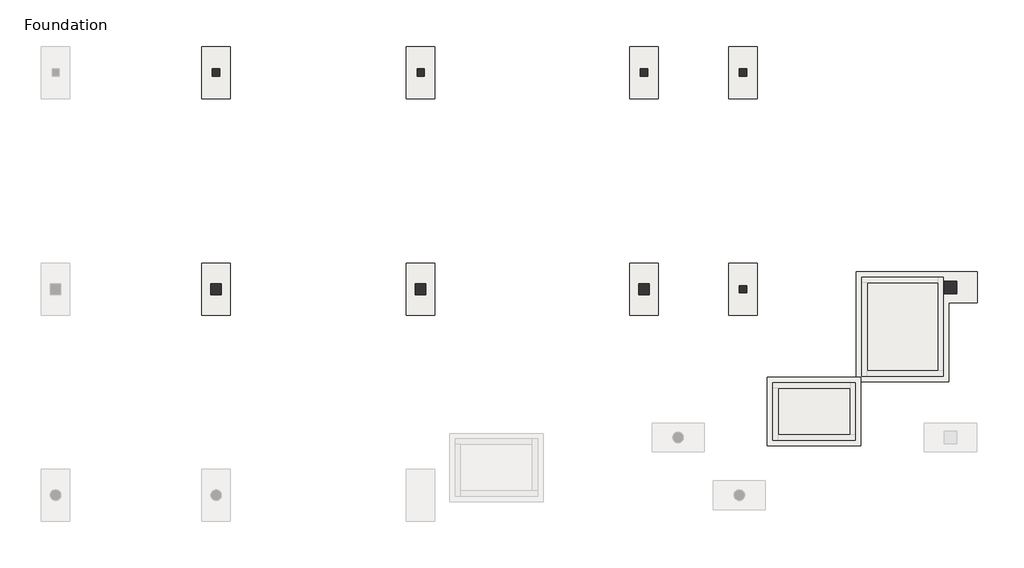
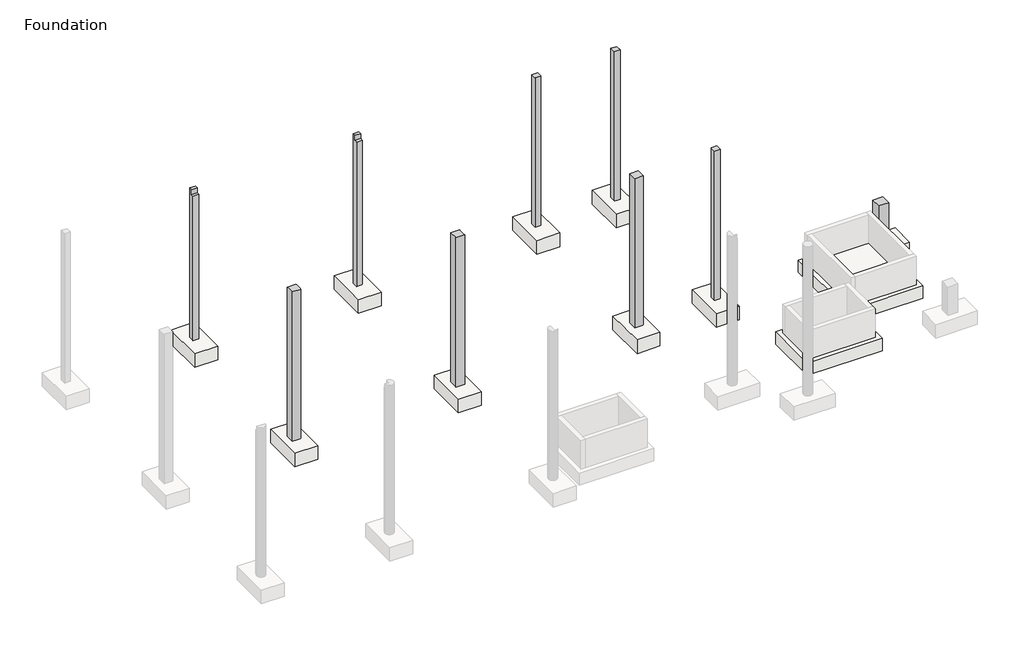
# One storey, part 10 of 10: 10 slabs, 9 columns.
"""IFC4 building model written with IfcOpenShell, lengths in millimetres."""

from ifc_helpers import new_model, si_unit, frame, origin, place, context, project, spatial, polyline, circle_curve, outline, extrude, faceted_brep, element, save
from ifc_brep_helpers import plane_surface, revolved_surface, advanced_brep

model = new_model("IFC4")

# Units and contexts
model_context = context("Model", 3, world=origin())
ifc_project = project(units=[si_unit("LENGTHUNIT", "METRE", prefix="MILLI")], contexts=[model_context])

# Site, building, storey
site = spatial("IfcSite", under=ifc_project)
building = spatial("IfcBuilding", under=site)
storey = spatial("IfcBuildingStorey", under=building, Name="Foundation", Elevation=-1600.0)

# Columns
placement = place(None, origin())
element("IfcColumn", 1, ObjectType="Concrete-Rectangular-Column : C 20/20", at=placement, inside=storey, context=model_context, shape_type="Brep", body=[
    faceted_brep([(17404.9250814, -5989.7248986, -1600.0), (17604.9250814, -5989.7248986, -1600.0), (17604.9250814, -6189.7248986, -1600.0), (17404.9250814, -6189.7248986, -1600.0), (17404.9250814, -6189.7248986, 3900.0), (17404.9250814, -6189.7248986, -100.0), (17404.9250814, -6189.7248986, -550.0), (17604.9250814, -6189.7248986, 3900.0), (17404.9250814, -5989.7248986, 3900.0), (17404.9250814, -6164.7248986, 3900.0), (17604.9250814, -5989.7248986, 3900.0)], [[[0, 1, 2, 3]], [[4, 5, 6, 3, 2, 7]], [[8, 0, 3, 6, 5, 4, 9]], [[7, 2, 1, 10]], [[10, 1, 0, 8]], [[8, 9, 4, 7, 10]]]),
])
element("IfcColumn", 2, ObjectType="Concrete-Rectangular-Column : C 20/20", at=placement, inside=storey, context=model_context, shape_type="Brep", body=[
    faceted_brep([(14652.4250814, -5989.7248986, -1600.0), (14852.4250814, -5989.7248986, -1600.0), (14852.4250814, -6189.7248986, -1600.0), (14652.4250814, -6189.7248986, -1600.0), (14652.4250814, -6189.7248986, 3900.0), (14652.4250814, -6189.7248986, -100.0), (14652.4250814, -6189.7248986, -550.0), (14852.4250814, -6189.7248986, -550.0), (14852.4250814, -6189.7248986, -100.0), (14852.4250814, -6189.7248986, 3900.0), (14652.4250814, -5989.7248986, 3900.0), (14652.4250814, -6164.7248986, 3900.0), (14852.4250814, -5989.7248986, 3900.0), (14852.4250814, -6164.7248986, 3900.0)], [[[0, 1, 2, 3]], [[4, 5, 6, 3, 2, 7, 8, 9]], [[10, 0, 3, 6, 5, 4, 11]], [[9, 8, 7, 2, 1, 12, 13]], [[12, 1, 0, 10]], [[10, 11, 4, 9, 13, 12]]]),
])
element("IfcColumn", 3, ObjectType="Concrete-Rectangular-Column : C 20/20", at=placement, inside=storey, context=model_context, shape_type="Brep", body=[
    faceted_brep([(8432.4250814, -6189.7248986, -1600.0), (8432.4250814, -5989.7248986, -1600.0), (8632.4250814, -5989.7248986, -1600.0), (8632.4250814, -6189.7248986, -1600.0), (8632.4250814, -6189.7248986, -550.0), (8632.4250814, -6189.7248986, -100.0), (8632.4250814, -6189.7248986, 3720.0), (8432.4250814, -6189.7248986, 3720.0), (8432.4250814, -6189.7248986, -100.0), (8432.4250814, -6189.7248986, -550.0), (8432.4250814, -6089.7248986, 3720.0), (8432.4250814, -6089.7248986, 3900.0), (8432.4250814, -5989.7248986, 3900.0), (8632.4250814, -5989.7248986, 3900.0), (8632.4250814, -6089.7248986, 3900.0), (8632.4250814, -6089.7248986, 3720.0)], [[[0, 1, 2, 3]], [[0, 3, 4, 5, 6, 7, 8, 9]], [[1, 0, 9, 8, 7, 10, 11, 12]], [[3, 2, 13, 14, 15, 6, 5, 4]], [[2, 1, 12, 13]], [[13, 12, 11, 14]], [[10, 7, 6, 15]], [[10, 15, 14, 11]]]),
])
element("IfcColumn", 4, ObjectType="Concrete-Rectangular-Column : C 20/20", at=placement, inside=storey, context=model_context, shape_type="Brep", body=[
    faceted_brep([(17404.9250814, -12019.7248986, -1600.0), (17604.9250814, -12019.7248986, -1600.0), (17604.9250814, -12219.7248986, -1600.0), (17404.9250814, -12219.7248986, -1600.0), (17404.9250814, -12219.7248986, 3900.0), (17404.9250814, -12219.7248986, 3720.0), (17404.9250814, -12219.7248986, -100.0), (17404.9250814, -12219.7248986, -550.0), (17604.9250814, -12219.7248986, -550.0), (17604.9250814, -12219.7248986, -100.0), (17604.9250814, -12219.7248986, 3720.0), (17604.9250814, -12219.7248986, 3900.0), (17404.9250814, -12019.7248986, 3900.0), (17404.9250814, -12019.7248986, -100.0), (17404.9250814, -12019.7248986, -550.0), (17404.9250814, -12194.7248986, 3900.0), (17404.9250814, -12044.7248986, 3900.0), (17604.9250814, -12019.7248986, 3900.0), (17604.9250814, -12194.7248986, 3900.0)], [[[0, 1, 2, 3]], [[4, 5, 6, 7, 3, 2, 8, 9, 10, 11]], [[12, 13, 14, 0, 3, 7, 6, 5, 4, 15, 16]], [[11, 10, 9, 8, 2, 1, 17, 18]], [[17, 1, 0, 14, 13, 12]], [[12, 16, 15, 4, 11, 18, 17]]]),
])
element("IfcColumn", 5, ObjectType="Concrete-Rectangular-Column : C 20/20", at=placement, inside=storey, context=model_context, shape_type="Brep", body=[
    faceted_brep([(2939.0837277, -5989.7248986, -1600.0), (2939.0837277, -6189.7248986, -1600.0), (2739.0837277, -6189.7248986, -1600.0), (2739.0837277, -5989.7248986, -1600.0), (2939.0837277, -6189.7248986, -550.0), (2939.0837277, -6189.7248986, -100.0), (2939.0837277, -6189.7248986, 3150.0), (2939.0837277, -6189.7248986, 3720.0), (2739.0837277, -6189.7248986, 3720.0), (2739.0837277, -6189.7248986, 3150.0), (2739.0837277, -6189.7248986, -100.0), (2739.0837277, -6189.7248986, -550.0), (2939.0837277, -5989.7248986, 3900.0), (2939.0837277, -6014.7248986, 3900.0), (2939.0837277, -6089.7248986, 3900.0), (2939.0837277, -6089.7248986, 3720.0), (2739.0837277, -6089.7248986, 3720.0), (2739.0837277, -6089.7248986, 3900.0), (2739.0837277, -6014.7248986, 3900.0), (2739.0837277, -5989.7248986, 3900.0)], [[[0, 1, 2, 3]], [[2, 1, 4, 5, 6, 7, 8, 9, 10, 11]], [[1, 0, 12, 13, 14, 15, 7, 6, 5, 4]], [[3, 2, 11, 10, 9, 8, 16, 17, 18, 19]], [[0, 3, 19, 12]], [[12, 19, 18, 17, 14, 13]], [[16, 8, 7, 15]], [[16, 15, 14, 17]]]),
])
element("IfcColumn", 6, ObjectType="Concrete-Rectangular-Column : C 30/30", at=placement, inside=storey, context=model_context, shape_type="Brep", body=[
    faceted_brep([(14602.4250814, -11969.7248986, -1600.0), (14902.4250814, -11969.7248986, -1600.0), (14902.4250814, -12269.7248986, -1600.0), (14602.4250814, -12269.7248986, -1600.0), (14602.4250814, -12269.7248986, 3900.0), (14602.4250814, -12269.7248986, 3720.0), (14602.4250814, -12269.7248986, -100.0), (14602.4250814, -12269.7248986, -550.0), (14902.4250814, -12269.7248986, -550.0), (14902.4250814, -12269.7248986, -100.0), (14902.4250814, -12269.7248986, 3720.0), (14902.4250814, -12269.7248986, 3900.0), (14602.4250814, -11969.7248986, 3900.0), (14602.4250814, -11969.7248986, 3720.0), (14602.4250814, -11969.7248986, -100.0), (14602.4250814, -11969.7248986, -550.0), (14602.4250814, -12219.7248986, 3900.0), (14602.4250814, -12019.7248986, 3900.0), (14902.4250814, -11969.7248986, -550.0), (14902.4250814, -11969.7248986, -100.0), (14902.4250814, -11969.7248986, 3720.0), (14902.4250814, -11969.7248986, 3900.0), (14902.4250814, -12044.7248986, 3900.0), (14902.4250814, -12194.7248986, 3900.0), (14652.4250814, -11969.7248986, 3900.0), (14852.4250814, -11969.7248986, 3900.0)], [[[0, 1, 2, 3]], [[4, 5, 6, 7, 3, 2, 8, 9, 10, 11]], [[12, 13, 14, 15, 0, 3, 7, 6, 5, 4, 16, 17]], [[11, 10, 9, 8, 2, 1, 18, 19, 20, 21, 22, 23]], [[21, 20, 19, 18, 1, 0, 15, 14, 13, 12, 24, 25]], [[12, 17, 16, 4, 11, 23, 22, 21, 25, 24]]]),
])
element("IfcColumn", 7, ObjectType="Concrete-Rectangular-Column : C 30/30", at=placement, inside=storey, context=model_context, shape_type="Brep", body=[
    faceted_brep([(8382.4250814, -11969.7248986, -1600.0), (8682.4250814, -11969.7248986, -1600.0), (8682.4250814, -12269.7248986, -1600.0), (8382.4250814, -12269.7248986, -1600.0), (8382.4250814, -12269.7248986, 3900.0), (8382.4250814, -12269.7248986, 3720.0), (8382.4250814, -12269.7248986, -100.0), (8382.4250814, -12269.7248986, -550.0), (8682.4250814, -12269.7248986, -550.0), (8682.4250814, -12269.7248986, -100.0), (8682.4250814, -12269.7248986, 3720.0), (8682.4250814, -12269.7248986, 3900.0), (8632.4250814, -12269.7248986, 3900.0), (8432.4250814, -12269.7248986, 3900.0), (8382.4250814, -11969.7248986, 3900.0), (8382.4250814, -11969.7248986, -100.0), (8382.4250814, -11969.7248986, -550.0), (8382.4250814, -12219.7248986, 3900.0), (8382.4250814, -12019.7248986, 3900.0), (8682.4250814, -11969.7248986, -550.0), (8682.4250814, -11969.7248986, -100.0), (8682.4250814, -11969.7248986, 3900.0), (8682.4250814, -12019.7248986, 3900.0), (8682.4250814, -12219.7248986, 3900.0)], [[[0, 1, 2, 3]], [[4, 5, 6, 7, 3, 2, 8, 9, 10, 11, 12, 13]], [[14, 15, 16, 0, 3, 7, 6, 5, 4, 17, 18]], [[11, 10, 9, 8, 2, 1, 19, 20, 21, 22, 23]], [[21, 20, 19, 1, 0, 16, 15, 14]], [[14, 18, 17, 4, 13, 12, 11, 23, 22, 21]]]),
])
element("IfcColumn", 8, ObjectType="Concrete-Rectangular-Column : C 30/30", at=placement, inside=storey, context=model_context, shape_type="Brep", body=[
    faceted_brep([(2989.0837277, -11969.7248986, -1600.0), (2989.0837277, -12269.7248986, -1600.0), (2689.0837277, -12269.7248986, -1600.0), (2689.0837277, -11969.7248986, -1600.0), (2989.0837277, -12269.7248986, 3900.0), (2939.0837277, -12269.7248986, 3900.0), (2739.0837277, -12269.7248986, 3900.0), (2689.0837277, -12269.7248986, 3900.0), (2689.0837277, -12269.7248986, 3720.0), (2689.0837277, -12269.7248986, -100.0), (2689.0837277, -12269.7248986, -550.0), (2989.0837277, -12269.7248986, -550.0), (2989.0837277, -12269.7248986, -100.0), (2989.0837277, -12269.7248986, 3720.0), (2989.0837277, -11969.7248986, 3900.0), (2989.0837277, -12019.7248986, 3900.0), (2989.0837277, -12219.7248986, 3900.0), (2989.0837277, -11969.7248986, -550.0), (2989.0837277, -11969.7248986, -100.0), (2989.0837277, -11969.7248986, 3150.0), (2689.0837277, -12219.7248986, 3900.0), (2689.0837277, -12019.7248986, 3900.0), (2689.0837277, -11969.7248986, 3900.0), (2689.0837277, -11969.7248986, 3150.0), (2689.0837277, -11969.7248986, -100.0), (2689.0837277, -11969.7248986, -550.0)], [[[0, 1, 2, 3]], [[4, 5, 6, 7, 8, 9, 10, 2, 1, 11, 12, 13]], [[14, 15, 16, 4, 13, 12, 11, 1, 0, 17, 18, 19]], [[7, 20, 21, 22, 23, 24, 25, 3, 2, 10, 9, 8]], [[22, 14, 19, 18, 17, 0, 3, 25, 24, 23]], [[14, 22, 21, 20, 7, 6, 5, 4, 16, 15]]]),
])
element("IfcColumn", 9, ObjectType="Concrete-Rectangular-Column : C 35/35", at=placement, inside=storey, context=model_context, shape_type="Brep", body=[
    faceted_brep([(23107.3731257, -11894.7248986, -1600.0), (23457.3731257, -11894.7248986, -1600.0), (23457.3731257, -12244.7248986, -1600.0), (23107.3731257, -12244.7248986, -1600.0), (23107.3731257, -11894.7248986, -100.0), (23107.3731257, -11894.7248986, -550.0), (23107.3731257, -12244.7248986, -550.0), (23107.3731257, -12244.7248986, -100.0), (23457.3731257, -12244.7248986, -550.0), (23457.3731257, -12244.7248986, -100.0), (23457.3731257, -11894.7248986, -550.0), (23457.3731257, -11894.7248986, -100.0)], [[[0, 1, 2, 3]], [[4, 5, 0, 3, 6, 7]], [[7, 6, 3, 2, 8, 9]], [[9, 8, 2, 1, 10, 11]], [[11, 10, 1, 0, 5, 4]], [[4, 7, 9, 11]]]),
])

# Slabs
element("IfcSlab", 10, ObjectType="Pile Cap for 2 Piles : Type 1", at=placement, inside=storey, context=model_context, shape_type="AdvancedBrep", body=[
    advanced_brep(
    [(14352.4250814, -12844.7248986, -1600.0), (15152.4250814, -12844.7248986, -1600.0), (15152.4250814, -11394.7248986, -1600.0), (14352.4250814, -11394.7248986, -1600.0), (15152.4250814, -11394.7248986, -2100.0), (15152.4250814, -12844.7248986, -2100.0), (14352.4250814, -12844.7248986, -2100.0), (14352.4250814, -11394.7248986, -2100.0), (14885.7584148, -12519.7248986, -2100.0), (14619.0917481, -12519.7248986, -2100.0), (14885.7584148, -11719.7248986, -2100.0), (14619.0917481, -11719.7248986, -2100.0), (14885.7584148, -11719.7248986, -2050.0), (14619.0917481, -11719.7248986, -2050.0), (14885.7584148, -12519.7248986, -2050.0), (14619.0917481, -12519.7248986, -2050.0)],
    [
        (0, 1),
        (1, 2),
        (2, 3),
        (3, 0),
        (4, 5),
        (5, 6),
        (6, 7),
        (7, 4),
        (8, 9, circle_curve(frame((14752.4250814, -12519.7248986, -2100.0), z_axis=(0.0, 0.0, 1.0), x_axis=(1.0, 0.0, 0.0)), 133.3333333)),
        (9, 8, circle_curve(frame((14752.4250814, -12519.7248986, -2100.0), z_axis=(0.0, 0.0, 1.0), x_axis=(1.0, 0.0, 0.0)), 133.3333333)),
        (10, 11, circle_curve(frame((14752.4250814, -11719.7248986, -2100.0), z_axis=(0.0, 0.0, 1.0), x_axis=(1.0, 0.0, 0.0)), 133.3333333)),
        (11, 10, circle_curve(frame((14752.4250814, -11719.7248986, -2100.0), z_axis=(0.0, 0.0, 1.0), x_axis=(1.0, 0.0, 0.0)), 133.3333333)),
        (0, 6),
        (5, 1),
        (3, 7),
        (2, 4),
        (12, 13, circle_curve(frame((14752.4250814, -11719.7248986, -2050.0), z_axis=(0.0, 0.0, -1.0), x_axis=(1.0, 0.0, 0.0)), 133.3333333)),
        (13, 12, circle_curve(frame((14752.4250814, -11719.7248986, -2050.0), z_axis=(0.0, 0.0, -1.0), x_axis=(1.0, 0.0, 0.0)), 133.3333333)),
        (8, 14),
        (14, 15, circle_curve(frame((14752.4250814, -12519.7248986, -2050.0), z_axis=(0.0, 0.0, 1.0), x_axis=(1.0, 0.0, 0.0)), 133.3333333)),
        (15, 9),
        (15, 14, circle_curve(frame((14752.4250814, -12519.7248986, -2050.0), z_axis=(0.0, 0.0, 1.0), x_axis=(1.0, 0.0, 0.0)), 133.3333333)),
        (10, 12),
        (13, 11),
    ],
    [
        plane_surface(frame((14352.4250814, -12844.7248986, -1600.0), z_axis=(0.0, 0.0, 1.0), x_axis=(-1.0, 0.0, 0.0))),
        plane_surface(frame((14352.4250814, -12844.7248986, -2100.0), z_axis=(0.0, 0.0, -1.0), x_axis=(1.0, 0.0, 0.0))),
        plane_surface(frame((15152.4250814, -12844.7248986, -1600.0), z_axis=(0.0, -1.0, 0.0), x_axis=(0.0, 0.0, -1.0))),
        plane_surface(frame((14352.4250814, -12844.7248986, -1600.0), z_axis=(-1.0, 0.0, 0.0), x_axis=(0.0, 0.0, -1.0))),
        plane_surface(frame((14352.4250814, -11394.7248986, -1600.0), z_axis=(0.0, 1.0, 0.0), x_axis=(0.0, 0.0, -1.0))),
        plane_surface(frame((15152.4250814, -11394.7248986, -1600.0), z_axis=(1.0, 0.0, 0.0), x_axis=(0.0, 0.0, -1.0))),
        plane_surface(frame((14885.7584148, -12519.7248986, -2050.0), z_axis=(0.0, 0.0, -1.0), x_axis=(0.0, -1.0, 0.0))),
        revolved_surface(polyline([(14885.7584147, -12519.7248986, -2050.0), (14885.7584147, -12519.7248986, -2100.0)]), (14752.4250814, -12519.7248986, -2100.0), (0.0, 0.0, 1.0)),
        revolved_surface(polyline([(14885.7584147, -11719.7248986, -2050.0), (14885.7584147, -11719.7248986, -2100.0)]), (14752.4250814, -11719.7248986, -1600.0), (0.0, 0.0, 1.0)),
    ],
    [
        (0, [[1, 2, 3, 4]]),
        (1, [[5, 6, 7, 8], [9, 10], [11, 12]]),
        (2, [[-1, 13, -6, 14]]),
        (3, [[-4, 15, -7, -13]]),
        (4, [[-3, 16, -8, -15]]),
        (5, [[-2, -14, -5, -16]]),
        (6, [[17, 18]]),
        (7, [[-9, 19, 20, 21]]),
        (7, [[-10, -21, 22, -19]]),
        (8, [[-11, 23, -18, 24]]),
        (8, [[-12, -24, -17, -23]]),
        (6, [[-22, -20]]),
    ],
),
])
element("IfcSlab", 11, ObjectType="Pile Cap for 2 Piles : Type 1", at=placement, inside=storey, context=model_context, shape_type="AdvancedBrep", body=[
    advanced_brep(
    [(17104.9250814, -12844.7248986, -1600.0), (17904.9250814, -12844.7248986, -1600.0), (17904.9250814, -11394.7248986, -1600.0), (17104.9250814, -11394.7248986, -1600.0), (17904.9250814, -11394.7248986, -2100.0), (17904.9250814, -12844.7248986, -2100.0), (17104.9250814, -12844.7248986, -2100.0), (17104.9250814, -11394.7248986, -2100.0), (17638.2584148, -12519.7248986, -2100.0), (17371.5917481, -12519.7248986, -2100.0), (17638.2584148, -11719.7248986, -2100.0), (17371.5917481, -11719.7248986, -2100.0), (17638.2584148, -11719.7248986, -2050.0), (17371.5917481, -11719.7248986, -2050.0), (17638.2584148, -12519.7248986, -2050.0), (17371.5917481, -12519.7248986, -2050.0)],
    [
        (0, 1),
        (1, 2),
        (2, 3),
        (3, 0),
        (4, 5),
        (5, 6),
        (6, 7),
        (7, 4),
        (8, 9, circle_curve(frame((17504.9250814, -12519.7248986, -2100.0), z_axis=(0.0, 0.0, 1.0), x_axis=(1.0, 0.0, 0.0)), 133.3333333)),
        (9, 8, circle_curve(frame((17504.9250814, -12519.7248986, -2100.0), z_axis=(0.0, 0.0, 1.0), x_axis=(1.0, 0.0, 0.0)), 133.3333333)),
        (10, 11, circle_curve(frame((17504.9250814, -11719.7248986, -2100.0), z_axis=(0.0, 0.0, 1.0), x_axis=(1.0, 0.0, 0.0)), 133.3333333)),
        (11, 10, circle_curve(frame((17504.9250814, -11719.7248986, -2100.0), z_axis=(0.0, 0.0, 1.0), x_axis=(1.0, 0.0, 0.0)), 133.3333333)),
        (0, 6),
        (5, 1),
        (3, 7),
        (2, 4),
        (12, 13, circle_curve(frame((17504.9250814, -11719.7248986, -2050.0), z_axis=(0.0, 0.0, -1.0), x_axis=(1.0, 0.0, 0.0)), 133.3333333)),
        (13, 12, circle_curve(frame((17504.9250814, -11719.7248986, -2050.0), z_axis=(0.0, 0.0, -1.0), x_axis=(1.0, 0.0, 0.0)), 133.3333333)),
        (8, 14),
        (14, 15, circle_curve(frame((17504.9250814, -12519.7248986, -2050.0), z_axis=(0.0, 0.0, 1.0), x_axis=(1.0, 0.0, 0.0)), 133.3333333)),
        (15, 9),
        (15, 14, circle_curve(frame((17504.9250814, -12519.7248986, -2050.0), z_axis=(0.0, 0.0, 1.0), x_axis=(1.0, 0.0, 0.0)), 133.3333333)),
        (10, 12),
        (13, 11),
    ],
    [
        plane_surface(frame((17104.9250814, -12844.7248986, -1600.0), z_axis=(0.0, 0.0, 1.0), x_axis=(-1.0, 0.0, 0.0))),
        plane_surface(frame((17104.9250814, -12844.7248986, -2100.0), z_axis=(0.0, 0.0, -1.0), x_axis=(1.0, 0.0, 0.0))),
        plane_surface(frame((17904.9250814, -12844.7248986, -1600.0), z_axis=(0.0, -1.0, 0.0), x_axis=(0.0, 0.0, -1.0))),
        plane_surface(frame((17104.9250814, -12844.7248986, -1600.0), z_axis=(-1.0, 0.0, 0.0), x_axis=(0.0, 0.0, -1.0))),
        plane_surface(frame((17104.9250814, -11394.7248986, -1600.0), z_axis=(0.0, 1.0, 0.0), x_axis=(0.0, 0.0, -1.0))),
        plane_surface(frame((17904.9250814, -11394.7248986, -1600.0), z_axis=(1.0, 0.0, 0.0), x_axis=(0.0, 0.0, -1.0))),
        plane_surface(frame((17638.2584148, -12519.7248986, -2050.0), z_axis=(0.0, 0.0, -1.0), x_axis=(0.0, -1.0, 0.0))),
        revolved_surface(polyline([(17638.2584147, -12519.7248986, -2050.0), (17638.2584147, -12519.7248986, -2100.0)]), (17504.9250814, -12519.7248986, -2100.0), (0.0, 0.0, 1.0)),
        revolved_surface(polyline([(17638.2584147, -11719.7248986, -2050.0), (17638.2584147, -11719.7248986, -2100.0)]), (17504.9250814, -11719.7248986, -1600.0), (0.0, 0.0, 1.0)),
    ],
    [
        (0, [[1, 2, 3, 4]]),
        (1, [[5, 6, 7, 8], [9, 10], [11, 12]]),
        (2, [[-1, 13, -6, 14]]),
        (3, [[-4, 15, -7, -13]]),
        (4, [[-3, 16, -8, -15]]),
        (5, [[-2, -14, -5, -16]]),
        (6, [[17, 18]]),
        (7, [[-9, 19, 20, 21]]),
        (7, [[-10, -21, 22, -19]]),
        (8, [[-11, 23, -18, 24]]),
        (8, [[-12, -24, -17, -23]]),
        (6, [[-22, -20]]),
    ],
),
])
element("IfcSlab", 12, ObjectType="Pile Cap for 2 Piles : Type 1", at=placement, inside=storey, context=model_context, shape_type="AdvancedBrep", body=[
    advanced_brep(
    [(8132.4250814, -12844.7248986, -1600.0), (8932.4250814, -12844.7248986, -1600.0), (8932.4250814, -11394.7248986, -1600.0), (8132.4250814, -11394.7248986, -1600.0), (8932.4250814, -11394.7248986, -2100.0), (8932.4250814, -12844.7248986, -2100.0), (8132.4250814, -12844.7248986, -2100.0), (8132.4250814, -11394.7248986, -2100.0), (8665.7584148, -12519.7248986, -2100.0), (8399.0917481, -12519.7248986, -2100.0), (8665.7584148, -11719.7248986, -2100.0), (8399.0917481, -11719.7248986, -2100.0), (8665.7584148, -11719.7248986, -2050.0), (8399.0917481, -11719.7248986, -2050.0), (8665.7584148, -12519.7248986, -2050.0), (8399.0917481, -12519.7248986, -2050.0)],
    [
        (0, 1),
        (1, 2),
        (2, 3),
        (3, 0),
        (4, 5),
        (5, 6),
        (6, 7),
        (7, 4),
        (8, 9, circle_curve(frame((8532.4250814, -12519.7248986, -2100.0), z_axis=(0.0, 0.0, 1.0), x_axis=(1.0, 0.0, 0.0)), 133.3333333)),
        (9, 8, circle_curve(frame((8532.4250814, -12519.7248986, -2100.0), z_axis=(0.0, 0.0, 1.0), x_axis=(1.0, 0.0, 0.0)), 133.3333333)),
        (10, 11, circle_curve(frame((8532.4250814, -11719.7248986, -2100.0), z_axis=(0.0, 0.0, 1.0), x_axis=(1.0, 0.0, 0.0)), 133.3333333)),
        (11, 10, circle_curve(frame((8532.4250814, -11719.7248986, -2100.0), z_axis=(0.0, 0.0, 1.0), x_axis=(1.0, 0.0, 0.0)), 133.3333333)),
        (0, 6),
        (5, 1),
        (3, 7),
        (2, 4),
        (12, 13, circle_curve(frame((8532.4250814, -11719.7248986, -2050.0), z_axis=(0.0, 0.0, -1.0), x_axis=(1.0, 0.0, 0.0)), 133.3333333)),
        (13, 12, circle_curve(frame((8532.4250814, -11719.7248986, -2050.0), z_axis=(0.0, 0.0, -1.0), x_axis=(1.0, 0.0, 0.0)), 133.3333333)),
        (8, 14),
        (14, 15, circle_curve(frame((8532.4250814, -12519.7248986, -2050.0), z_axis=(0.0, 0.0, 1.0), x_axis=(1.0, 0.0, 0.0)), 133.3333333)),
        (15, 9),
        (15, 14, circle_curve(frame((8532.4250814, -12519.7248986, -2050.0), z_axis=(0.0, 0.0, 1.0), x_axis=(1.0, 0.0, 0.0)), 133.3333333)),
        (10, 12),
        (13, 11),
    ],
    [
        plane_surface(frame((8132.4250814, -12844.7248986, -1600.0), z_axis=(0.0, 0.0, 1.0), x_axis=(-1.0, 0.0, 0.0))),
        plane_surface(frame((8132.4250814, -12844.7248986, -2100.0), z_axis=(0.0, 0.0, -1.0), x_axis=(1.0, 0.0, 0.0))),
        plane_surface(frame((8932.4250814, -12844.7248986, -1600.0), z_axis=(0.0, -1.0, 0.0), x_axis=(0.0, 0.0, -1.0))),
        plane_surface(frame((8132.4250814, -12844.7248986, -1600.0), z_axis=(-1.0, 0.0, 0.0), x_axis=(0.0, 0.0, -1.0))),
        plane_surface(frame((8132.4250814, -11394.7248986, -1600.0), z_axis=(0.0, 1.0, 0.0), x_axis=(0.0, 0.0, -1.0))),
        plane_surface(frame((8932.4250814, -11394.7248986, -1600.0), z_axis=(1.0, 0.0, 0.0), x_axis=(0.0, 0.0, -1.0))),
        plane_surface(frame((8665.7584148, -12519.7248986, -2050.0), z_axis=(0.0, 0.0, -1.0), x_axis=(0.0, -1.0, 0.0))),
        revolved_surface(polyline([(8665.7584147, -12519.7248986, -2050.0), (8665.7584147, -12519.7248986, -2100.0)]), (8532.4250814, -12519.7248986, -2100.0), (0.0, 0.0, 1.0)),
        revolved_surface(polyline([(8665.7584147, -11719.7248986, -2050.0), (8665.7584147, -11719.7248986, -2100.0)]), (8532.4250814, -11719.7248986, -1600.0), (0.0, 0.0, 1.0)),
    ],
    [
        (0, [[1, 2, 3, 4]]),
        (1, [[5, 6, 7, 8], [9, 10], [11, 12]]),
        (2, [[-1, 13, -6, 14]]),
        (3, [[-4, 15, -7, -13]]),
        (4, [[-3, 16, -8, -15]]),
        (5, [[-2, -14, -5, -16]]),
        (6, [[17, 18]]),
        (7, [[-9, 19, 20, 21]]),
        (7, [[-10, -21, 22, -19]]),
        (8, [[-11, 23, -18, 24]]),
        (8, [[-12, -24, -17, -23]]),
        (6, [[-22, -20]]),
    ],
),
])
element("IfcSlab", 13, ObjectType="Pile Cap for 2 Piles : Type 1", at=placement, inside=storey, context=model_context, shape_type="AdvancedBrep", body=[
    advanced_brep(
    [(2439.0837277, -12844.7248986, -1600.0), (3239.0837277, -12844.7248986, -1600.0), (3239.0837277, -11394.7248986, -1600.0), (2439.0837277, -11394.7248986, -1600.0), (3239.0837277, -11394.7248986, -2100.0), (3239.0837277, -12844.7248986, -2100.0), (2439.0837277, -12844.7248986, -2100.0), (2439.0837277, -11394.7248986, -2100.0), (2972.417061, -12519.7248986, -2100.0), (2705.7503943, -12519.7248986, -2100.0), (2972.417061, -11719.7248986, -2100.0), (2705.7503943, -11719.7248986, -2100.0), (2972.417061, -11719.7248986, -2050.0), (2705.7503943, -11719.7248986, -2050.0), (2972.417061, -12519.7248986, -2050.0), (2705.7503943, -12519.7248986, -2050.0)],
    [
        (0, 1),
        (1, 2),
        (2, 3),
        (3, 0),
        (4, 5),
        (5, 6),
        (6, 7),
        (7, 4),
        (8, 9, circle_curve(frame((2839.0837277, -12519.7248986, -2100.0), z_axis=(0.0, 0.0, 1.0), x_axis=(1.0, 0.0, 0.0)), 133.3333333)),
        (9, 8, circle_curve(frame((2839.0837277, -12519.7248986, -2100.0), z_axis=(0.0, 0.0, 1.0), x_axis=(1.0, 0.0, 0.0)), 133.3333333)),
        (10, 11, circle_curve(frame((2839.0837277, -11719.7248986, -2100.0), z_axis=(0.0, 0.0, 1.0), x_axis=(1.0, 0.0, 0.0)), 133.3333333)),
        (11, 10, circle_curve(frame((2839.0837277, -11719.7248986, -2100.0), z_axis=(0.0, 0.0, 1.0), x_axis=(1.0, 0.0, 0.0)), 133.3333333)),
        (0, 6),
        (5, 1),
        (3, 7),
        (2, 4),
        (12, 13, circle_curve(frame((2839.0837277, -11719.7248986, -2050.0), z_axis=(0.0, 0.0, -1.0), x_axis=(1.0, 0.0, 0.0)), 133.3333333)),
        (13, 12, circle_curve(frame((2839.0837277, -11719.7248986, -2050.0), z_axis=(0.0, 0.0, -1.0), x_axis=(1.0, 0.0, 0.0)), 133.3333333)),
        (8, 14),
        (14, 15, circle_curve(frame((2839.0837277, -12519.7248986, -2050.0), z_axis=(0.0, 0.0, 1.0), x_axis=(1.0, 0.0, 0.0)), 133.3333333)),
        (15, 9),
        (15, 14, circle_curve(frame((2839.0837277, -12519.7248986, -2050.0), z_axis=(0.0, 0.0, 1.0), x_axis=(1.0, 0.0, 0.0)), 133.3333333)),
        (10, 12),
        (13, 11),
    ],
    [
        plane_surface(frame((2439.0837277, -12844.7248986, -1600.0), z_axis=(0.0, 0.0, 1.0), x_axis=(-1.0, 0.0, 0.0))),
        plane_surface(frame((2439.0837277, -12844.7248986, -2100.0), z_axis=(0.0, 0.0, -1.0), x_axis=(1.0, 0.0, 0.0))),
        plane_surface(frame((3239.0837277, -12844.7248986, -1600.0), z_axis=(0.0, -1.0, 0.0), x_axis=(0.0, 0.0, -1.0))),
        plane_surface(frame((2439.0837277, -12844.7248986, -1600.0), z_axis=(-1.0, 0.0, 0.0), x_axis=(0.0, 0.0, -1.0))),
        plane_surface(frame((2439.0837277, -11394.7248986, -1600.0), z_axis=(0.0, 1.0, 0.0), x_axis=(0.0, 0.0, -1.0))),
        plane_surface(frame((3239.0837277, -11394.7248986, -1600.0), z_axis=(1.0, 0.0, 0.0), x_axis=(0.0, 0.0, -1.0))),
        plane_surface(frame((2972.417061, -12519.7248986, -2050.0), z_axis=(0.0, 0.0, -1.0), x_axis=(0.0, -1.0, 0.0))),
        revolved_surface(polyline([(2972.417061, -12519.7248986, -2050.0), (2972.417061, -12519.7248986, -2100.0)]), (2839.0837277, -12519.7248986, -2100.0), (0.0, 0.0, 1.0)),
        revolved_surface(polyline([(2972.417061, -11719.7248986, -2050.0), (2972.417061, -11719.7248986, -2100.0)]), (2839.0837277, -11719.7248986, -1600.0), (0.0, 0.0, 1.0)),
    ],
    [
        (0, [[1, 2, 3, 4]]),
        (1, [[5, 6, 7, 8], [9, 10], [11, 12]]),
        (2, [[-1, 13, -6, 14]]),
        (3, [[-4, 15, -7, -13]]),
        (4, [[-3, 16, -8, -15]]),
        (5, [[-2, -14, -5, -16]]),
        (6, [[17, 18]]),
        (7, [[-9, 19, 20, 21]]),
        (7, [[-10, -21, 22, -19]]),
        (8, [[-11, 23, -18, 24]]),
        (8, [[-12, -24, -17, -23]]),
        (6, [[-22, -20]]),
    ],
),
])
element("IfcSlab", 14, ObjectType="Pile Cap for 2 Piles : Type 1", at=placement, inside=storey, context=model_context, shape_type="AdvancedBrep", body=[
    advanced_brep(
    [(17104.9250814, -6814.7248986, -1600.0), (17904.9250814, -6814.7248986, -1600.0), (17904.9250814, -5364.7248986, -1600.0), (17104.9250814, -5364.7248986, -1600.0), (17904.9250814, -5364.7248986, -2100.0), (17904.9250814, -6814.7248986, -2100.0), (17104.9250814, -6814.7248986, -2100.0), (17104.9250814, -5364.7248986, -2100.0), (17638.2584148, -6489.7248986, -2100.0), (17371.5917481, -6489.7248986, -2100.0), (17638.2584148, -5689.7248986, -2100.0), (17371.5917481, -5689.7248986, -2100.0), (17638.2584148, -5689.7248986, -2050.0), (17371.5917481, -5689.7248986, -2050.0), (17638.2584148, -6489.7248986, -2050.0), (17371.5917481, -6489.7248986, -2050.0)],
    [
        (0, 1),
        (1, 2),
        (2, 3),
        (3, 0),
        (4, 5),
        (5, 6),
        (6, 7),
        (7, 4),
        (8, 9, circle_curve(frame((17504.9250814, -6489.7248986, -2100.0), z_axis=(0.0, 0.0, 1.0), x_axis=(1.0, 0.0, 0.0)), 133.3333333)),
        (9, 8, circle_curve(frame((17504.9250814, -6489.7248986, -2100.0), z_axis=(0.0, 0.0, 1.0), x_axis=(1.0, 0.0, 0.0)), 133.3333333)),
        (10, 11, circle_curve(frame((17504.9250814, -5689.7248986, -2100.0), z_axis=(0.0, 0.0, 1.0), x_axis=(1.0, 0.0, 0.0)), 133.3333333)),
        (11, 10, circle_curve(frame((17504.9250814, -5689.7248986, -2100.0), z_axis=(0.0, 0.0, 1.0), x_axis=(1.0, 0.0, 0.0)), 133.3333333)),
        (0, 6),
        (5, 1),
        (3, 7),
        (2, 4),
        (12, 13, circle_curve(frame((17504.9250814, -5689.7248986, -2050.0), z_axis=(0.0, 0.0, -1.0), x_axis=(1.0, 0.0, 0.0)), 133.3333333)),
        (13, 12, circle_curve(frame((17504.9250814, -5689.7248986, -2050.0), z_axis=(0.0, 0.0, -1.0), x_axis=(1.0, 0.0, 0.0)), 133.3333333)),
        (8, 14),
        (14, 15, circle_curve(frame((17504.9250814, -6489.7248986, -2050.0), z_axis=(0.0, 0.0, 1.0), x_axis=(1.0, 0.0, 0.0)), 133.3333333)),
        (15, 9),
        (15, 14, circle_curve(frame((17504.9250814, -6489.7248986, -2050.0), z_axis=(0.0, 0.0, 1.0), x_axis=(1.0, 0.0, 0.0)), 133.3333333)),
        (10, 12),
        (13, 11),
    ],
    [
        plane_surface(frame((17104.9250814, -6814.7248986, -1600.0), z_axis=(0.0, 0.0, 1.0), x_axis=(-1.0, 0.0, 0.0))),
        plane_surface(frame((17104.9250814, -6814.7248986, -2100.0), z_axis=(0.0, 0.0, -1.0), x_axis=(1.0, 0.0, 0.0))),
        plane_surface(frame((17904.9250814, -6814.7248986, -1600.0), z_axis=(0.0, -1.0, 0.0), x_axis=(0.0, 0.0, -1.0))),
        plane_surface(frame((17104.9250814, -6814.7248986, -1600.0), z_axis=(-1.0, 0.0, 0.0), x_axis=(0.0, 0.0, -1.0))),
        plane_surface(frame((17104.9250814, -5364.7248986, -1600.0), z_axis=(0.0, 1.0, 0.0), x_axis=(0.0, 0.0, -1.0))),
        plane_surface(frame((17904.9250814, -5364.7248986, -1600.0), z_axis=(1.0, 0.0, 0.0), x_axis=(0.0, 0.0, -1.0))),
        plane_surface(frame((17638.2584148, -6489.7248986, -2050.0), z_axis=(0.0, 0.0, -1.0), x_axis=(0.0, -1.0, 0.0))),
        revolved_surface(polyline([(17638.2584147, -6489.7248986, -2050.0), (17638.2584147, -6489.7248986, -2100.0)]), (17504.9250814, -6489.7248986, -2100.0), (0.0, 0.0, 1.0)),
        revolved_surface(polyline([(17638.2584147, -5689.7248986, -2050.0), (17638.2584147, -5689.7248986, -2100.0)]), (17504.9250814, -5689.7248986, -1600.0), (0.0, 0.0, 1.0)),
    ],
    [
        (0, [[1, 2, 3, 4]]),
        (1, [[5, 6, 7, 8], [9, 10], [11, 12]]),
        (2, [[-1, 13, -6, 14]]),
        (3, [[-4, 15, -7, -13]]),
        (4, [[-3, 16, -8, -15]]),
        (5, [[-2, -14, -5, -16]]),
        (6, [[17, 18]]),
        (7, [[-9, 19, 20, 21]]),
        (7, [[-10, -21, 22, -19]]),
        (8, [[-11, 23, -18, 24]]),
        (8, [[-12, -24, -17, -23]]),
        (6, [[-22, -20]]),
    ],
),
])
element("IfcSlab", 15, ObjectType="Pile Cap for 2 Piles : Type 1", at=placement, inside=storey, context=model_context, shape_type="AdvancedBrep", body=[
    advanced_brep(
    [(14352.4250814, -6814.7248986, -1600.0), (15152.4250814, -6814.7248986, -1600.0), (15152.4250814, -5364.7248986, -1600.0), (14352.4250814, -5364.7248986, -1600.0), (15152.4250814, -5364.7248986, -2100.0), (15152.4250814, -6814.7248986, -2100.0), (14352.4250814, -6814.7248986, -2100.0), (14352.4250814, -5364.7248986, -2100.0), (14885.7584148, -6489.7248986, -2100.0), (14619.0917481, -6489.7248986, -2100.0), (14885.7584148, -5689.7248986, -2100.0), (14619.0917481, -5689.7248986, -2100.0), (14885.7584148, -5689.7248986, -2050.0), (14619.0917481, -5689.7248986, -2050.0), (14885.7584148, -6489.7248986, -2050.0), (14619.0917481, -6489.7248986, -2050.0)],
    [
        (0, 1),
        (1, 2),
        (2, 3),
        (3, 0),
        (4, 5),
        (5, 6),
        (6, 7),
        (7, 4),
        (8, 9, circle_curve(frame((14752.4250814, -6489.7248986, -2100.0), z_axis=(0.0, 0.0, 1.0), x_axis=(1.0, 0.0, 0.0)), 133.3333333)),
        (9, 8, circle_curve(frame((14752.4250814, -6489.7248986, -2100.0), z_axis=(0.0, 0.0, 1.0), x_axis=(1.0, 0.0, 0.0)), 133.3333333)),
        (10, 11, circle_curve(frame((14752.4250814, -5689.7248986, -2100.0), z_axis=(0.0, 0.0, 1.0), x_axis=(1.0, 0.0, 0.0)), 133.3333333)),
        (11, 10, circle_curve(frame((14752.4250814, -5689.7248986, -2100.0), z_axis=(0.0, 0.0, 1.0), x_axis=(1.0, 0.0, 0.0)), 133.3333333)),
        (0, 6),
        (5, 1),
        (3, 7),
        (2, 4),
        (12, 13, circle_curve(frame((14752.4250814, -5689.7248986, -2050.0), z_axis=(0.0, 0.0, -1.0), x_axis=(1.0, 0.0, 0.0)), 133.3333333)),
        (13, 12, circle_curve(frame((14752.4250814, -5689.7248986, -2050.0), z_axis=(0.0, 0.0, -1.0), x_axis=(1.0, 0.0, 0.0)), 133.3333333)),
        (8, 14),
        (14, 15, circle_curve(frame((14752.4250814, -6489.7248986, -2050.0), z_axis=(0.0, 0.0, 1.0), x_axis=(1.0, 0.0, 0.0)), 133.3333333)),
        (15, 9),
        (15, 14, circle_curve(frame((14752.4250814, -6489.7248986, -2050.0), z_axis=(0.0, 0.0, 1.0), x_axis=(1.0, 0.0, 0.0)), 133.3333333)),
        (10, 12),
        (13, 11),
    ],
    [
        plane_surface(frame((14352.4250814, -6814.7248986, -1600.0), z_axis=(0.0, 0.0, 1.0), x_axis=(-1.0, 0.0, 0.0))),
        plane_surface(frame((14352.4250814, -6814.7248986, -2100.0), z_axis=(0.0, 0.0, -1.0), x_axis=(1.0, 0.0, 0.0))),
        plane_surface(frame((15152.4250814, -6814.7248986, -1600.0), z_axis=(0.0, -1.0, 0.0), x_axis=(0.0, 0.0, -1.0))),
        plane_surface(frame((14352.4250814, -6814.7248986, -1600.0), z_axis=(-1.0, 0.0, 0.0), x_axis=(0.0, 0.0, -1.0))),
        plane_surface(frame((14352.4250814, -5364.7248986, -1600.0), z_axis=(0.0, 1.0, 0.0), x_axis=(0.0, 0.0, -1.0))),
        plane_surface(frame((15152.4250814, -5364.7248986, -1600.0), z_axis=(1.0, 0.0, 0.0), x_axis=(0.0, 0.0, -1.0))),
        plane_surface(frame((14885.7584148, -6489.7248986, -2050.0), z_axis=(0.0, 0.0, -1.0), x_axis=(0.0, -1.0, 0.0))),
        revolved_surface(polyline([(14885.7584147, -6489.7248986, -2050.0), (14885.7584147, -6489.7248986, -2100.0)]), (14752.4250814, -6489.7248986, -2100.0), (0.0, 0.0, 1.0)),
        revolved_surface(polyline([(14885.7584147, -5689.7248986, -2050.0), (14885.7584147, -5689.7248986, -2100.0)]), (14752.4250814, -5689.7248986, -1600.0), (0.0, 0.0, 1.0)),
    ],
    [
        (0, [[1, 2, 3, 4]]),
        (1, [[5, 6, 7, 8], [9, 10], [11, 12]]),
        (2, [[-1, 13, -6, 14]]),
        (3, [[-4, 15, -7, -13]]),
        (4, [[-3, 16, -8, -15]]),
        (5, [[-2, -14, -5, -16]]),
        (6, [[17, 18]]),
        (7, [[-9, 19, 20, 21]]),
        (7, [[-10, -21, 22, -19]]),
        (8, [[-11, 23, -18, 24]]),
        (8, [[-12, -24, -17, -23]]),
        (6, [[-22, -20]]),
    ],
),
])
element("IfcSlab", 16, ObjectType="Pile Cap for 2 Piles : Type 1", at=placement, inside=storey, context=model_context, shape_type="AdvancedBrep", body=[
    advanced_brep(
    [(8132.4250814, -6814.7248986, -1600.0), (8932.4250814, -6814.7248986, -1600.0), (8932.4250814, -5364.7248986, -1600.0), (8132.4250814, -5364.7248986, -1600.0), (8932.4250814, -5364.7248986, -2100.0), (8932.4250814, -6814.7248986, -2100.0), (8132.4250814, -6814.7248986, -2100.0), (8132.4250814, -5364.7248986, -2100.0), (8665.7584148, -6489.7248986, -2100.0), (8399.0917481, -6489.7248986, -2100.0), (8665.7584148, -5689.7248986, -2100.0), (8399.0917481, -5689.7248986, -2100.0), (8665.7584148, -5689.7248986, -2050.0), (8399.0917481, -5689.7248986, -2050.0), (8665.7584148, -6489.7248986, -2050.0), (8399.0917481, -6489.7248986, -2050.0)],
    [
        (0, 1),
        (1, 2),
        (2, 3),
        (3, 0),
        (4, 5),
        (5, 6),
        (6, 7),
        (7, 4),
        (8, 9, circle_curve(frame((8532.4250814, -6489.7248986, -2100.0), z_axis=(0.0, 0.0, 1.0), x_axis=(1.0, 0.0, 0.0)), 133.3333333)),
        (9, 8, circle_curve(frame((8532.4250814, -6489.7248986, -2100.0), z_axis=(0.0, 0.0, 1.0), x_axis=(1.0, 0.0, 0.0)), 133.3333333)),
        (10, 11, circle_curve(frame((8532.4250814, -5689.7248986, -2100.0), z_axis=(0.0, 0.0, 1.0), x_axis=(1.0, 0.0, 0.0)), 133.3333333)),
        (11, 10, circle_curve(frame((8532.4250814, -5689.7248986, -2100.0), z_axis=(0.0, 0.0, 1.0), x_axis=(1.0, 0.0, 0.0)), 133.3333333)),
        (0, 6),
        (5, 1),
        (3, 7),
        (2, 4),
        (12, 13, circle_curve(frame((8532.4250814, -5689.7248986, -2050.0), z_axis=(0.0, 0.0, -1.0), x_axis=(1.0, 0.0, 0.0)), 133.3333333)),
        (13, 12, circle_curve(frame((8532.4250814, -5689.7248986, -2050.0), z_axis=(0.0, 0.0, -1.0), x_axis=(1.0, 0.0, 0.0)), 133.3333333)),
        (8, 14),
        (14, 15, circle_curve(frame((8532.4250814, -6489.7248986, -2050.0), z_axis=(0.0, 0.0, 1.0), x_axis=(1.0, 0.0, 0.0)), 133.3333333)),
        (15, 9),
        (15, 14, circle_curve(frame((8532.4250814, -6489.7248986, -2050.0), z_axis=(0.0, 0.0, 1.0), x_axis=(1.0, 0.0, 0.0)), 133.3333333)),
        (10, 12),
        (13, 11),
    ],
    [
        plane_surface(frame((8132.4250814, -6814.7248986, -1600.0), z_axis=(0.0, 0.0, 1.0), x_axis=(-1.0, 0.0, 0.0))),
        plane_surface(frame((8132.4250814, -6814.7248986, -2100.0), z_axis=(0.0, 0.0, -1.0), x_axis=(1.0, 0.0, 0.0))),
        plane_surface(frame((8932.4250814, -6814.7248986, -1600.0), z_axis=(0.0, -1.0, 0.0), x_axis=(0.0, 0.0, -1.0))),
        plane_surface(frame((8132.4250814, -6814.7248986, -1600.0), z_axis=(-1.0, 0.0, 0.0), x_axis=(0.0, 0.0, -1.0))),
        plane_surface(frame((8132.4250814, -5364.7248986, -1600.0), z_axis=(0.0, 1.0, 0.0), x_axis=(0.0, 0.0, -1.0))),
        plane_surface(frame((8932.4250814, -5364.7248986, -1600.0), z_axis=(1.0, 0.0, 0.0), x_axis=(0.0, 0.0, -1.0))),
        plane_surface(frame((8665.7584148, -6489.7248986, -2050.0), z_axis=(0.0, 0.0, -1.0), x_axis=(0.0, -1.0, 0.0))),
        revolved_surface(polyline([(8665.7584147, -6489.7248986, -2050.0), (8665.7584147, -6489.7248986, -2100.0)]), (8532.4250814, -6489.7248986, -2100.0), (0.0, 0.0, 1.0)),
        revolved_surface(polyline([(8665.7584147, -5689.7248986, -2050.0), (8665.7584147, -5689.7248986, -2100.0)]), (8532.4250814, -5689.7248986, -1600.0), (0.0, 0.0, 1.0)),
    ],
    [
        (0, [[1, 2, 3, 4]]),
        (1, [[5, 6, 7, 8], [9, 10], [11, 12]]),
        (2, [[-1, 13, -6, 14]]),
        (3, [[-4, 15, -7, -13]]),
        (4, [[-3, 16, -8, -15]]),
        (5, [[-2, -14, -5, -16]]),
        (6, [[17, 18]]),
        (7, [[-9, 19, 20, 21]]),
        (7, [[-10, -21, 22, -19]]),
        (8, [[-11, 23, -18, 24]]),
        (8, [[-12, -24, -17, -23]]),
        (6, [[-22, -20]]),
    ],
),
])
element("IfcSlab", 17, ObjectType="Pile Cap for 2 Piles : Type 1", at=placement, inside=storey, context=model_context, shape_type="AdvancedBrep", body=[
    advanced_brep(
    [(2439.0837277, -6814.7248986, -1600.0), (3239.0837277, -6814.7248986, -1600.0), (3239.0837277, -5364.7248986, -1600.0), (2439.0837277, -5364.7248986, -1600.0), (3239.0837277, -5364.7248986, -2100.0), (3239.0837277, -6814.7248986, -2100.0), (2439.0837277, -6814.7248986, -2100.0), (2439.0837277, -5364.7248986, -2100.0), (2972.417061, -6489.7248986, -2100.0), (2705.7503943, -6489.7248986, -2100.0), (2972.417061, -5689.7248986, -2100.0), (2705.7503943, -5689.7248986, -2100.0), (2972.417061, -5689.7248986, -2050.0), (2705.7503943, -5689.7248986, -2050.0), (2972.417061, -6489.7248986, -2050.0), (2705.7503943, -6489.7248986, -2050.0)],
    [
        (0, 1),
        (1, 2),
        (2, 3),
        (3, 0),
        (4, 5),
        (5, 6),
        (6, 7),
        (7, 4),
        (8, 9, circle_curve(frame((2839.0837277, -6489.7248986, -2100.0), z_axis=(0.0, 0.0, 1.0), x_axis=(1.0, 0.0, 0.0)), 133.3333333)),
        (9, 8, circle_curve(frame((2839.0837277, -6489.7248986, -2100.0), z_axis=(0.0, 0.0, 1.0), x_axis=(1.0, 0.0, 0.0)), 133.3333333)),
        (10, 11, circle_curve(frame((2839.0837277, -5689.7248986, -2100.0), z_axis=(0.0, 0.0, 1.0), x_axis=(1.0, 0.0, 0.0)), 133.3333333)),
        (11, 10, circle_curve(frame((2839.0837277, -5689.7248986, -2100.0), z_axis=(0.0, 0.0, 1.0), x_axis=(1.0, 0.0, 0.0)), 133.3333333)),
        (0, 6),
        (5, 1),
        (3, 7),
        (2, 4),
        (12, 13, circle_curve(frame((2839.0837277, -5689.7248986, -2050.0), z_axis=(0.0, 0.0, -1.0), x_axis=(1.0, 0.0, 0.0)), 133.3333333)),
        (13, 12, circle_curve(frame((2839.0837277, -5689.7248986, -2050.0), z_axis=(0.0, 0.0, -1.0), x_axis=(1.0, 0.0, 0.0)), 133.3333333)),
        (8, 14),
        (14, 15, circle_curve(frame((2839.0837277, -6489.7248986, -2050.0), z_axis=(0.0, 0.0, 1.0), x_axis=(1.0, 0.0, 0.0)), 133.3333333)),
        (15, 9),
        (15, 14, circle_curve(frame((2839.0837277, -6489.7248986, -2050.0), z_axis=(0.0, 0.0, 1.0), x_axis=(1.0, 0.0, 0.0)), 133.3333333)),
        (10, 12),
        (13, 11),
    ],
    [
        plane_surface(frame((2439.0837277, -6814.7248986, -1600.0), z_axis=(0.0, 0.0, 1.0), x_axis=(-1.0, 0.0, 0.0))),
        plane_surface(frame((2439.0837277, -6814.7248986, -2100.0), z_axis=(0.0, 0.0, -1.0), x_axis=(1.0, 0.0, 0.0))),
        plane_surface(frame((3239.0837277, -6814.7248986, -1600.0), z_axis=(0.0, -1.0, 0.0), x_axis=(0.0, 0.0, -1.0))),
        plane_surface(frame((2439.0837277, -6814.7248986, -1600.0), z_axis=(-1.0, 0.0, 0.0), x_axis=(0.0, 0.0, -1.0))),
        plane_surface(frame((2439.0837277, -5364.7248986, -1600.0), z_axis=(0.0, 1.0, 0.0), x_axis=(0.0, 0.0, -1.0))),
        plane_surface(frame((3239.0837277, -5364.7248986, -1600.0), z_axis=(1.0, 0.0, 0.0), x_axis=(0.0, 0.0, -1.0))),
        plane_surface(frame((2972.417061, -6489.7248986, -2050.0), z_axis=(0.0, 0.0, -1.0), x_axis=(0.0, -1.0, 0.0))),
        revolved_surface(polyline([(2972.417061, -6489.7248986, -2050.0), (2972.417061, -6489.7248986, -2100.0)]), (2839.0837277, -6489.7248986, -2100.0), (0.0, 0.0, 1.0)),
        revolved_surface(polyline([(2972.417061, -5689.7248986, -2050.0), (2972.417061, -5689.7248986, -2100.0)]), (2839.0837277, -5689.7248986, -1600.0), (0.0, 0.0, 1.0)),
    ],
    [
        (0, [[1, 2, 3, 4]]),
        (1, [[5, 6, 7, 8], [9, 10], [11, 12]]),
        (2, [[-1, 13, -6, 14]]),
        (3, [[-4, 15, -7, -13]]),
        (4, [[-3, 16, -8, -15]]),
        (5, [[-2, -14, -5, -16]]),
        (6, [[17, 18]]),
        (7, [[-9, 19, 20, 21]]),
        (7, [[-10, -21, 22, -19]]),
        (8, [[-11, 23, -18, 24]]),
        (8, [[-12, -24, -17, -23]]),
        (6, [[-22, -20]]),
    ],
),
])
element("IfcSlab", 18, ObjectType="Slab CIP 450 mm", at=placement, inside=storey, context=model_context, shape_type="Brep", body=[
    faceted_brep([(20787.4250814, -14570.558232, -2050.0), (20787.4250814, -14694.7248986, -2050.0), (20787.4250814, -16470.558232, -2050.0), (18187.4250814, -16470.558232, -2050.0), (18187.4250814, -14570.558232, -2050.0), (20659.9250814, -14570.558232, -2050.0), (20787.4250814, -14570.558232, -1600.0), (20659.9250814, -14570.558232, -1600.0), (18187.4250814, -14570.558232, -1600.0), (18187.4250814, -16470.558232, -1600.0), (20787.4250814, -16470.558232, -1600.0), (20787.4250814, -14694.7248986, -1600.0)], [[[0, 1, 2, 3, 4, 5]], [[6, 7, 8, 9, 10, 11]], [[0, 5, 4, 8, 7, 6]], [[4, 3, 9, 8]], [[3, 2, 10, 9]], [[2, 1, 0, 6, 11, 10]]]),
])
element("IfcSlab", 19, ObjectType="Slab CIP 450 mm", at=placement, inside=storey, context=model_context, shape_type="SweptSolid", body=[
    extrude(outline(polyline([(20659.9250814, -11637.2248986), (24032.3731257, -11637.2248986), (24032.3731257, -12502.2248986), (23234.9250814, -12502.2248986), (23234.9250814, -14694.7248986), (20787.4250814, -14694.7248986), (20787.4250814, -14570.558232), (20659.9250814, -14570.558232), (20659.9250814, -11637.2248986)])), frame((0.0, 0.0, -2050.0), z_axis=(0.0, 0.0, 1.0), x_axis=(1.0, 0.0, 0.0)), (0.0, 0.0, 1.0), 450.0),
])

save(model, "model.ifc")
